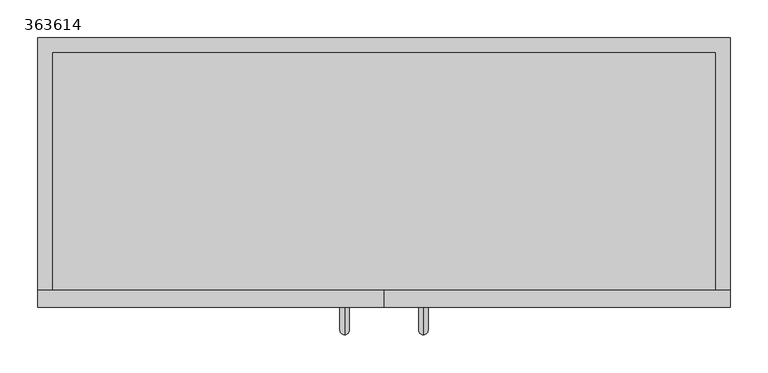
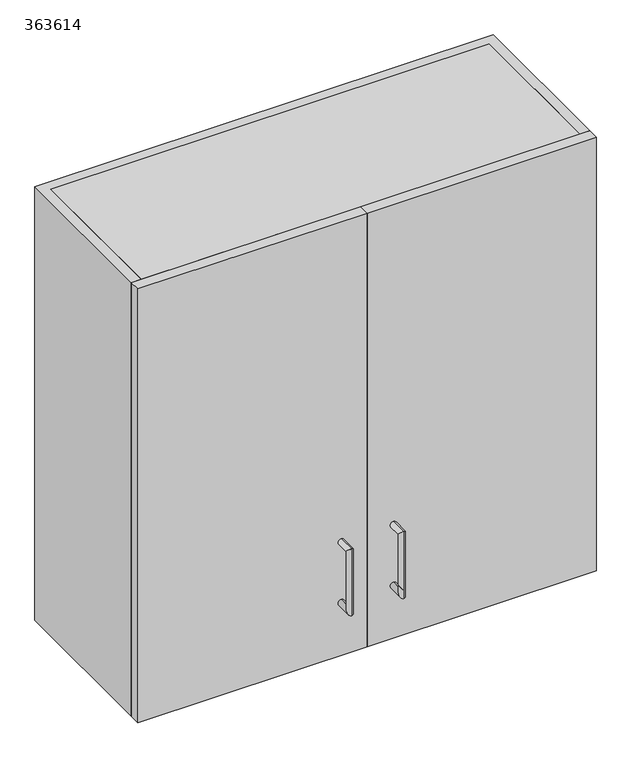
"""IFC4 building model written with IfcOpenShell, lengths in millimetres: furniture geometry, 363614."""

from ifc_helpers import new_model, si_unit, frame, origin, place, context, project, spatial, polyline, circle_curve, ellipse_curve, outline, extrude, source, transform, mapped, element, save
from ifc_brep_helpers import plane_surface, cylinder_surface, advanced_brep


def furniture_363614_5ef96c4c(model_context):
    return source(origin(), model_context, "Body", "SolidModel", [
        extrude(outline(polyline([(457.2, -397.1), (457.2, -419.1), (0.0, -419.1), (0.0, -397.1), (457.2, -397.1)])), frame((0.0, 0.0, 1219.2), z_axis=(0.0, 0.0, 1.0), x_axis=(1.0, 0.0, 0.0)), (0.0, 0.0, 1.0), 914.4),
        extrude(outline(polyline([(0.0, -397.1), (0.0, -419.1), (-457.2, -419.1), (-457.2, -397.1), (0.0, -397.1)])), frame((0.0, 0.0, 1219.2), z_axis=(0.0, 0.0, 1.0), x_axis=(1.0, 0.0, 0.0)), (0.0, 0.0, 1.0), 914.4),
        extrude(outline(polyline([(438.0, -397.1), (438.0, -82.7), (-438.0, -82.7), (-438.0, -397.1), (-457.2, -397.1), (-457.2, -63.5), (457.2, -63.5), (457.2, -397.1), (438.0, -397.1)])), frame((0.0, 0.0, 1219.2), z_axis=(0.0, 0.0, 1.0), x_axis=(1.0, 0.0, 0.0)), (0.0, 0.0, 1.0), 914.4),
        extrude(outline(polyline([(438.0, -82.7), (438.0, -397.1), (-438.0, -397.1), (-438.0, -82.7), (438.0, -82.7)])), frame((0.0, 0.0, 1816.2666667), z_axis=(0.0, 0.0, 1.0), x_axis=(1.0, 0.0, 0.0)), (0.0, 0.0, 1.0), 19.2),
        extrude(outline(polyline([(438.0, -82.7), (438.0, -397.1), (-438.0, -397.1), (-438.0, -82.7), (438.0, -82.7)])), frame((0.0, 0.0, 1518.1333333), z_axis=(0.0, 0.0, 1.0), x_axis=(1.0, 0.0, 0.0)), (0.0, 0.0, 1.0), 19.2),
        advanced_brep(
        [(-52.0, -419.1, 1337.55), (-52.0, -419.1, 1324.85), (-52.0, -455.45, 1324.85), (-52.0, -442.75, 1337.55), (-52.0, -455.45, 1465.55), (-52.0, -442.75, 1452.85), (-52.0, -419.1, 1452.85), (-52.0, -419.1, 1465.55)],
        [
            (0, 1, circle_curve(frame((-52.0, -419.1, 1331.2), z_axis=(0.0, 1.0, 0.0), x_axis=(0.0, 0.0, -1.0)), 6.35)),
            (1, 0, circle_curve(frame((-52.0, -419.1, 1331.2), z_axis=(0.0, 1.0, 0.0), x_axis=(0.0, 0.0, -1.0)), 6.35)),
            (1, 2),
            (2, 3, ellipse_curve(frame((-52.0, -449.1, 1331.2), z_axis=(0.0, 0.7071067811865475, -0.7071067811865475), x_axis=(0.0, 0.7071067811865476, 0.7071067811865474)), 8.9802561, 6.35)),
            (3, 0),
            (3, 2, ellipse_curve(frame((-52.0, -449.1, 1331.2), z_axis=(0.0, 0.7071067811865475, -0.7071067811865475), x_axis=(0.0, 0.7071067811865476, 0.7071067811865474)), 8.9802561, 6.35)),
            (2, 4),
            (4, 5, ellipse_curve(frame((-52.0, -449.1, 1459.2), z_axis=(0.0, -0.7071067811865475, -0.7071067811865475), x_axis=(0.0, 0.7071067811865474, -0.7071067811865476)), 8.9802561, 6.35)),
            (5, 3),
            (5, 4, ellipse_curve(frame((-52.0, -449.1, 1459.2), z_axis=(0.0, -0.7071067811865475, -0.7071067811865475), x_axis=(0.0, 0.7071067811865474, -0.7071067811865476)), 8.9802561, 6.35)),
            (6, 7, circle_curve(frame((-52.0, -419.1, 1459.2), z_axis=(0.0, 1.0, 0.0), x_axis=(0.0, 0.0, 1.0)), 6.35)),
            (7, 6, circle_curve(frame((-52.0, -419.1, 1459.2), z_axis=(0.0, 1.0, 0.0), x_axis=(0.0, 0.0, 1.0)), 6.35)),
            (4, 7),
            (6, 5),
        ],
        [
            plane_surface(frame((-52.0, -419.1, 1331.2), z_axis=(0.0, 1.0, 0.0), x_axis=(-1.0, 0.0, 0.0))),
            cylinder_surface(frame((-52.0, -419.1, 1331.2), z_axis=(0.0, 1.0, 0.0), x_axis=(0.0, 0.0, -1.0)), 6.35),
            cylinder_surface(frame((-52.0, -449.1, 1331.2), z_axis=(0.0, 0.0, -1.0), x_axis=(0.0, -1.0, 0.0)), 6.35),
            plane_surface(frame((-52.0, -419.1, 1459.2), z_axis=(0.0, 1.0, 0.0), x_axis=(-1.0, 0.0, 0.0))),
            cylinder_surface(frame((-52.0, -449.1, 1459.2), z_axis=(0.0, -1.0, 0.0), x_axis=(0.0, 0.0, 1.0)), 6.35),
        ],
        [
            (0, [[1, 2]]),
            (1, [[3, 4, 5, -2]]),
            (1, [[-5, 6, -3, -1]]),
            (2, [[7, 8, 9, -4]]),
            (2, [[-9, 10, -7, -6]]),
            (3, [[11, 12]]),
            (4, [[13, -11, 14, -8]]),
            (4, [[-14, -12, -13, -10]]),
        ],
    ),
        advanced_brep(
        [(52.0, -419.1, 1337.55), (52.0, -419.1, 1324.85), (52.0, -455.45, 1324.85), (52.0, -442.75, 1337.55), (52.0, -455.45, 1465.55), (52.0, -442.75, 1452.85), (52.0, -419.1, 1452.85), (52.0, -419.1, 1465.55)],
        [
            (0, 1, circle_curve(frame((52.0, -419.1, 1331.2), z_axis=(0.0, 1.0, 0.0), x_axis=(0.0, 0.0, -1.0)), 6.35)),
            (1, 0, circle_curve(frame((52.0, -419.1, 1331.2), z_axis=(0.0, 1.0, 0.0), x_axis=(0.0, 0.0, -1.0)), 6.35)),
            (1, 2),
            (2, 3, ellipse_curve(frame((52.0, -449.1, 1331.2), z_axis=(0.0, 0.7071067811865475, -0.7071067811865475), x_axis=(0.0, 0.7071067811865476, 0.7071067811865474)), 8.9802561, 6.35)),
            (3, 0),
            (3, 2, ellipse_curve(frame((52.0, -449.1, 1331.2), z_axis=(0.0, 0.7071067811865475, -0.7071067811865475), x_axis=(0.0, 0.7071067811865476, 0.7071067811865474)), 8.9802561, 6.35)),
            (2, 4),
            (4, 5, ellipse_curve(frame((52.0, -449.1, 1459.2), z_axis=(0.0, -0.7071067811865475, -0.7071067811865475), x_axis=(0.0, 0.7071067811865474, -0.7071067811865476)), 8.9802561, 6.35)),
            (5, 3),
            (5, 4, ellipse_curve(frame((52.0, -449.1, 1459.2), z_axis=(0.0, -0.7071067811865475, -0.7071067811865475), x_axis=(0.0, 0.7071067811865474, -0.7071067811865476)), 8.9802561, 6.35)),
            (6, 7, circle_curve(frame((52.0, -419.1, 1459.2), z_axis=(0.0, 1.0, 0.0), x_axis=(0.0, 0.0, 1.0)), 6.35)),
            (7, 6, circle_curve(frame((52.0, -419.1, 1459.2), z_axis=(0.0, 1.0, 0.0), x_axis=(0.0, 0.0, 1.0)), 6.35)),
            (4, 7),
            (6, 5),
        ],
        [
            plane_surface(frame((52.0, -419.1, 1331.2), z_axis=(0.0, 1.0, 0.0), x_axis=(-1.0, 0.0, 0.0))),
            cylinder_surface(frame((52.0, -419.1, 1331.2), z_axis=(0.0, 1.0, 0.0), x_axis=(0.0, 0.0, -1.0)), 6.35),
            cylinder_surface(frame((52.0, -449.1, 1331.2), z_axis=(0.0, 0.0, -1.0), x_axis=(0.0, -1.0, 0.0)), 6.35),
            plane_surface(frame((52.0, -419.1, 1459.2), z_axis=(0.0, 1.0, 0.0), x_axis=(-1.0, 0.0, 0.0))),
            cylinder_surface(frame((52.0, -449.1, 1459.2), z_axis=(0.0, -1.0, 0.0), x_axis=(0.0, 0.0, 1.0)), 6.35),
        ],
        [
            (0, [[1, 2]]),
            (1, [[3, 4, 5, -2]]),
            (1, [[-5, 6, -3, -1]]),
            (2, [[7, 8, 9, -4]]),
            (2, [[-9, 10, -7, -6]]),
            (3, [[11, 12]]),
            (4, [[13, -11, 14, -8]]),
            (4, [[-14, -12, -13, -10]]),
        ],
    ),
        extrude(outline(polyline([(438.0, -397.1), (-438.0, -397.1), (-438.0, -82.7), (438.0, -82.7), (438.0, -397.1)])), frame((0.0, 0.0, 2111.6), z_axis=(0.0, 0.0, 1.0), x_axis=(1.0, 0.0, 0.0)), (0.0, 0.0, 1.0), 22.0),
        extrude(outline(polyline([(438.0, -397.1), (-438.0, -397.1), (-438.0, -82.7), (438.0, -82.7), (438.0, -397.1)])), frame((0.0, 0.0, 1219.2), z_axis=(0.0, 0.0, 1.0), x_axis=(1.0, 0.0, 0.0)), (0.0, 0.0, 1.0), 20.0),
    ])


if __name__ == "__main__":
    model = new_model("IFC4")
    model_context = context("Model", 3, world=origin())
    ifc_project = project(units=[si_unit("LENGTHUNIT", "METRE", prefix="MILLI")], contexts=[model_context])
    site = spatial("IfcSite", under=ifc_project)
    building = spatial("IfcBuilding", under=site)
    placement = place(None, origin())
    furniture_363614_shape = furniture_363614_5ef96c4c(model_context)
    element("IfcFurniture", 1, ObjectType="363614", at=placement, inside=building, context=model_context, shape_type="MappedRepresentation", body=[
        mapped(furniture_363614_shape, transform((0.0, 0.0, 0.0), x_axis=(1.0, 0.0, 0.0), y_axis=(0.0, 1.0, 0.0), z_axis=(0.0, 0.0, 1.0))),
    ])
    save(model, "model.ifc")
